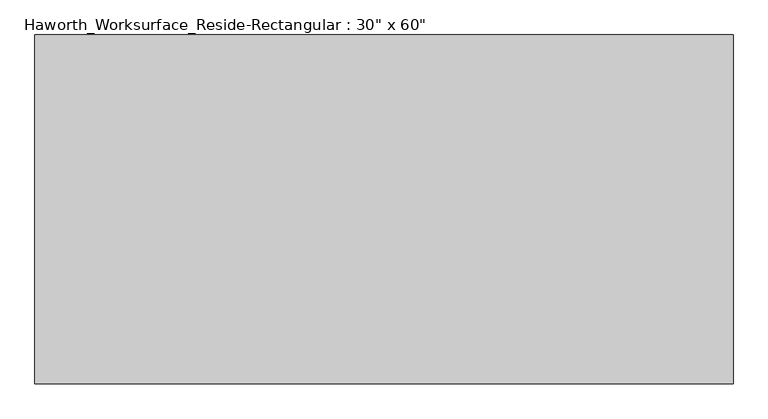
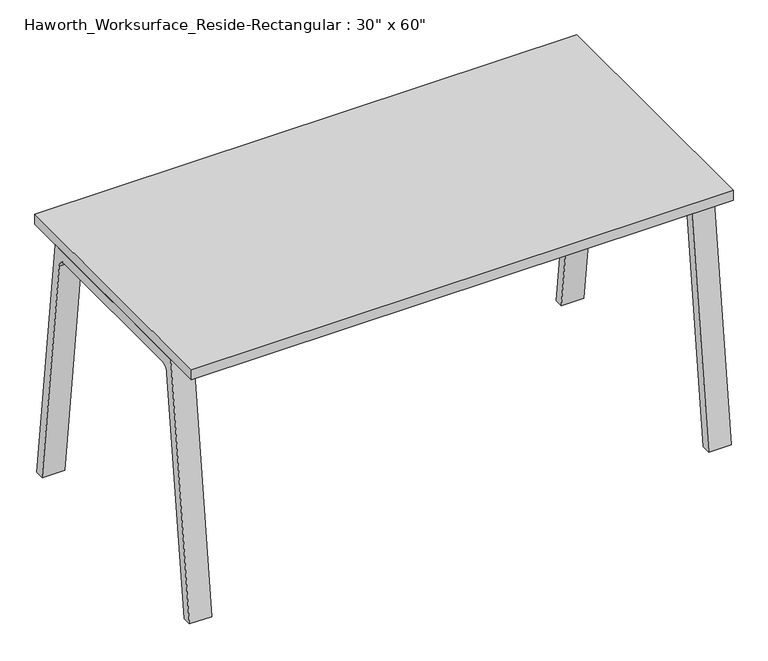
"""IFC4 building model written with IfcOpenShell, lengths in millimetres: furniture geometry."""

from ifc_helpers import new_model, si_unit, point, frame, frame_2d, origin, place, context, project, spatial, polyline, circle_curve, trimmed, segment, composite_curve, outline, extrude, source, transform, mapped, element, save


def furniture_3a4610d0(model_context):
    return source(origin(), model_context, "Body", "SweptSolid", [
        extrude(outline(composite_curve([segment(polyline([(-281.6166539, 731.8375), (281.6166539, 731.8375), (371.475, 0.0), (345.8842504, 0.0), (262.4680442, 679.3704813)]), True, "CONTINUOUS"), segment(trimmed(circle_curve(frame_2d((237.2573719, 676.275)), 25.4), [point((262.4680442, 679.3704813))], [point((237.2573719, 701.675))], True, "CARTESIAN"), True, "CONTINUOUS"), segment(polyline([(237.2573719, 701.675), (-237.2573719, 701.675)]), True, "CONTINUOUS"), segment(trimmed(circle_curve(frame_2d((-237.2573719, 676.275)), 25.4), [point((-237.2573719, 701.675))], [point((-262.4680442, 679.3704813))], True, "CARTESIAN"), True, "CONTINUOUS"), segment(polyline([(-262.4680442, 679.3704813), (-345.8842504, 0.0), (-371.475, 0.0), (-281.6166539, 731.8375)]), True, "CONTINUOUS")], self_intersect=False)), frame((698.5, 0.0, 0.0), z_axis=(1.0, 0.0, 0.0), x_axis=(0.0, 1.0, 0.0)), (0.0, 0.0, 1.0), 63.5),
        extrude(outline(composite_curve([segment(polyline([(-281.6166539, 731.8375), (281.6166539, 731.8375), (371.475, 0.0), (345.8842504, 0.0), (262.4680442, 679.3704813)]), True, "CONTINUOUS"), segment(trimmed(circle_curve(frame_2d((237.2573719, 676.275)), 25.4), [point((262.4680442, 679.3704813))], [point((237.2573719, 701.675))], True, "CARTESIAN"), True, "CONTINUOUS"), segment(polyline([(237.2573719, 701.675), (-237.2573719, 701.675)]), True, "CONTINUOUS"), segment(trimmed(circle_curve(frame_2d((-237.2573719, 676.275)), 25.4), [point((-237.2573719, 701.675))], [point((-262.4680442, 679.3704813))], True, "CARTESIAN"), True, "CONTINUOUS"), segment(polyline([(-262.4680442, 679.3704813), (-345.8842504, 0.0), (-371.475, 0.0), (-281.6166539, 731.8375)]), True, "CONTINUOUS")], self_intersect=False)), frame((-762.0, 0.0, 0.0), z_axis=(1.0, 0.0, 0.0), x_axis=(0.0, 1.0, 0.0)), (0.0, 0.0, 1.0), 63.5),
        extrude(outline(polyline([(762.0, -381.0), (-762.0, -381.0), (-762.0, 381.0), (762.0, 381.0), (762.0, -381.0)])), frame((0.0, 0.0, 731.8375), z_axis=(0.0, 0.0, 1.0), x_axis=(1.0, 0.0, 0.0)), (0.0, 0.0, 1.0), 30.1625),
    ])


if __name__ == "__main__":
    model = new_model("IFC4")
    model_context = context("Model", 3, world=origin())
    ifc_project = project(units=[si_unit("LENGTHUNIT", "METRE", prefix="MILLI")], contexts=[model_context])
    site = spatial("IfcSite", under=ifc_project)
    building = spatial("IfcBuilding", under=site)
    placement = place(None, origin())
    furniture_shape = furniture_3a4610d0(model_context)
    element("IfcFurniture", 1, ObjectType="Haworth_Worksurface_Reside-Rectangular : 30\" x 60\"", at=placement, inside=building, context=model_context, shape_type="MappedRepresentation", body=[
        mapped(furniture_shape, transform((0.0, 0.0, 0.0), x_axis=(1.0, 0.0, 0.0), y_axis=(0.0, 1.0, 0.0), z_axis=(0.0, 0.0, 1.0))),
    ])
    save(model, "model.ifc")
